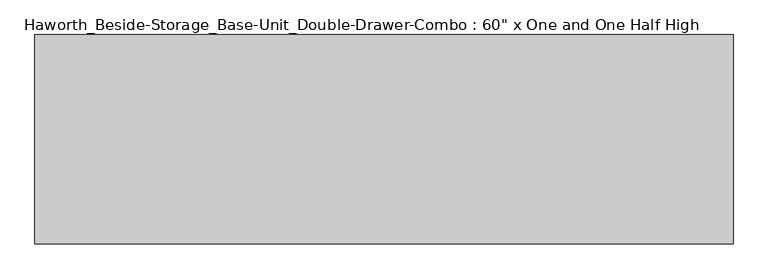
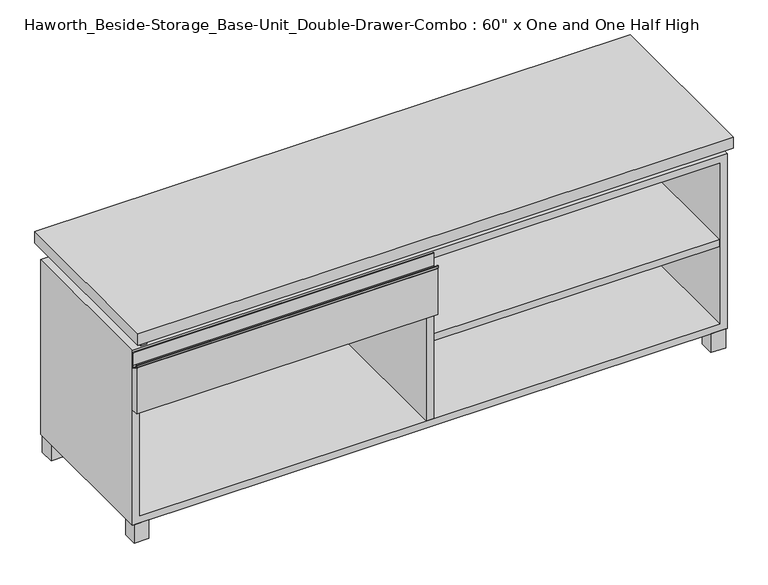
"""IFC4 building model written with IfcOpenShell, lengths in millimetres: furniture geometry."""

from ifc_helpers import new_model, si_unit, point, frame, frame_2d, origin, origin_with_axes, place, context, project, spatial, polyline, circle_curve, trimmed, segment, composite_curve, outline, extrude, source, transform, mapped, element, save


def furniture_2d1ff088(model_context):
    return source(origin(), model_context, "Body", "SweptSolid", [
        extrude(outline(composite_curve([segment(polyline([(-139.7, 477.04375), (-158.75, 488.15625)]), True, "CONTINUOUS"), segment(trimmed(circle_curve(frame_2d((-157.5501571, 490.2131235)), 2.38125), [point((-158.75, 488.15625))], [point((-159.9314071, 490.2131235))], False, "CARTESIAN"), True, "CONTINUOUS"), segment(polyline([(-159.9314071, 490.2131235), (-159.9314071, 495.3)]), True, "CONTINUOUS"), segment(trimmed(circle_curve(frame_2d((-159.1376571, 495.3)), 0.79375), [point((-159.9314071, 495.3))], [point((-158.3439071, 495.3))], False, "CARTESIAN"), True, "CONTINUOUS"), segment(polyline([(-158.3439071, 495.3), (-158.3439071, 490.2131235)]), True, "CONTINUOUS"), segment(trimmed(circle_curve(frame_2d((-157.5501571, 490.2131235)), 0.79375), [point((-158.3439071, 490.2131235))], [point((-157.9501047, 489.527499))], True, "CARTESIAN"), True, "CONTINUOUS"), segment(polyline([(-157.9501047, 489.527499), (-146.0622905, 482.5929407)]), True, "CONTINUOUS"), segment(trimmed(circle_curve(frame_2d((-144.4625, 485.3354387)), 3.175), [point((-146.0622905, 482.5929407))], [point((-141.2875, 485.3354387))], True, "CARTESIAN"), True, "CONTINUOUS"), segment(polyline([(-141.2875, 485.3354387), (-141.2875, 519.1125)]), True, "CONTINUOUS"), segment(trimmed(circle_curve(frame_2d((-140.49375, 519.1125)), 0.79375), [point((-141.2875, 519.1125))], [point((-139.7, 519.1125))], False, "CARTESIAN"), True, "CONTINUOUS"), segment(polyline([(-139.7, 519.1125), (-139.7, 477.04375)]), True, "CONTINUOUS")], self_intersect=False)), frame((-761.9861094, 0.0, 0.0), z_axis=(1.0, 0.0, 0.0), x_axis=(0.0, 1.0, 0.0)), (0.0, 0.0, 1.0), 771.525),
        extrude(outline(polyline([(-139.7, 363.5375), (-158.75, 363.5375), (-158.75, 488.15625), (-139.7, 477.04375), (-139.7, 363.5375)])), frame((-761.9861094, 0.0, 0.0), z_axis=(1.0, 0.0, 0.0), x_axis=(0.0, 1.0, 0.0)), (0.0, 0.0, 1.0), 771.525),
        extrude(outline(polyline([(742.9569453, 234.95), (742.9569453, -136.525), (9.5319453, -136.525), (9.5319453, 234.95), (742.9569453, 234.95)])), frame((0.0, 0.0, 277.8125), z_axis=(0.0, 0.0, 1.0), x_axis=(1.0, 0.0, 0.0)), (0.0, 0.0, 1.0), 19.05),
        extrude(outline(polyline([(-19.0361094, 95.25), (19.0638906, 95.25), (19.0638906, 57.15), (-19.0361094, 57.15), (-19.0361094, 95.25)])), origin_with_axes(), (0.0, 0.0, 1.0), 50.8),
        extrude(outline(polyline([(762.0138906, 292.1), (762.0138906, -165.1), (-761.9861094, -165.1), (-761.9861094, 292.1), (762.0138906, 292.1)])), frame((0.0, 0.0, 554.0375), z_axis=(0.0, 0.0, 1.0), x_axis=(1.0, 0.0, 0.0)), (0.0, 0.0, 1.0), 30.1625),
        extrude(outline(polyline([(719.1513906, -101.6), (757.2513906, -101.6), (757.2513906, -139.7), (719.1513906, -139.7), (719.1513906, -101.6)])), origin_with_axes(), (0.0, 0.0, 1.0), 50.8),
        extrude(outline(polyline([(719.1513906, 228.6), (719.1513906, 266.7), (757.2513906, 266.7), (757.2513906, 228.6), (719.1513906, 228.6)])), origin_with_axes(), (0.0, 0.0, 1.0), 50.8),
        extrude(outline(polyline([(-719.1236094, -101.6), (-719.1236094, -139.7), (-757.2236094, -139.7), (-757.2236094, -101.6), (-719.1236094, -101.6)])), origin_with_axes(), (0.0, 0.0, 1.0), 50.8),
        extrude(outline(polyline([(-719.1236094, 228.6), (-757.2236094, 228.6), (-757.2236094, 266.7), (-719.1236094, 266.7), (-719.1236094, 228.6)])), origin_with_axes(), (0.0, 0.0, 1.0), 50.8),
        extrude(outline(polyline([(-736.5791641, -133.35), (-736.5791641, 234.95), (-720.7041641, 234.95), (-720.7041641, 73.025), (-7.9236094, 73.025), (-7.9236094, 247.65), (7.9513906, 247.65), (7.9513906, 73.025), (720.7111094, 73.025), (720.7111094, 247.65), (736.5861094, 247.65), (736.5861094, -120.65), (720.7111094, -120.65), (720.7111094, 53.975), (7.9513906, 53.975), (7.9513906, -120.65), (-7.9236094, -120.65), (-7.9236094, 53.975), (-720.7041641, 53.975), (-720.7041641, -133.35), (-736.5791641, -133.35)])), frame((0.0, 0.0, 523.875), z_axis=(0.0, 0.0, 1.0), x_axis=(1.0, 0.0, 0.0)), (0.0, 0.0, 1.0), 30.1625),
        extrude(outline(polyline([(9.5388906, 234.95), (9.5388906, -139.7), (-9.5111094, -139.7), (-9.5111094, 234.95), (9.5388906, 234.95)])), frame((0.0, 0.0, 69.85), z_axis=(0.0, 0.0, 1.0), x_axis=(1.0, 0.0, 0.0)), (0.0, 0.0, 1.0), 434.975),
        extrude(outline(polyline([(50.8, -761.9861094), (50.8, 762.0), (523.875, 762.0), (523.875, -761.9861094), (50.8, -761.9861094)]), holes=[polyline([(69.85, -742.9361094), (504.825, -742.9361094), (504.825, 742.9361094), (69.85, 742.9361094), (69.85, -742.9361094)])]), frame((0.0, -139.7, 0.0), z_axis=(0.0, 1.0, 0.0), x_axis=(0.0, 0.0, 1.0)), (0.0, 0.0, 1.0), 406.4),
        extrude(outline(polyline([(-742.9291641, 234.95), (-742.9291641, 241.3), (742.9569453, 241.3), (742.9569453, 234.95), (-742.9291641, 234.95)])), frame((0.0, 0.0, 69.85), z_axis=(0.0, 0.0, 1.0), x_axis=(1.0, 0.0, 0.0)), (0.0, 0.0, 1.0), 434.975),
    ])


if __name__ == "__main__":
    model = new_model("IFC4")
    model_context = context("Model", 3, world=origin())
    ifc_project = project(units=[si_unit("LENGTHUNIT", "METRE", prefix="MILLI")], contexts=[model_context])
    site = spatial("IfcSite", under=ifc_project)
    building = spatial("IfcBuilding", under=site)
    placement = place(None, origin())
    furniture_shape = furniture_2d1ff088(model_context)
    element("IfcFurniture", 1, ObjectType="Haworth_Beside-Storage_Base-Unit_Double-Drawer-Combo : 60\" x One and One Half High", at=placement, inside=building, context=model_context, shape_type="MappedRepresentation", body=[
        mapped(furniture_shape, transform((0.0, 0.0, 0.0), x_axis=(1.0, 0.0, 0.0), y_axis=(0.0, 1.0, 0.0), z_axis=(0.0, 0.0, 1.0))),
    ])
    save(model, "model.ifc")
